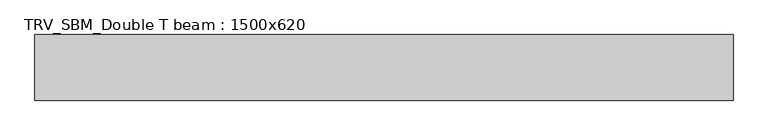
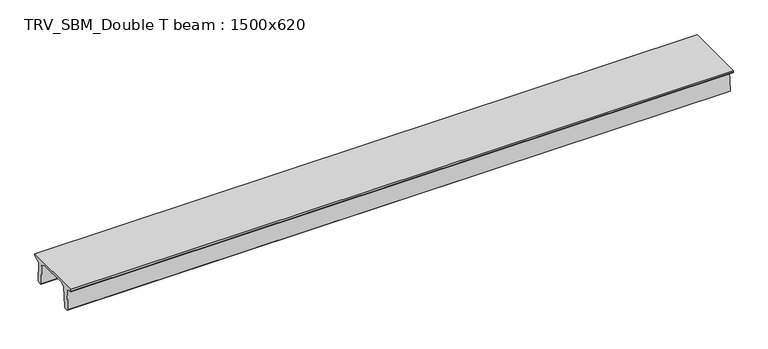
"""IFC4 building model written with IfcOpenShell, lengths in millimetres: beam geometry, TRV_SBM_Double T beam : 1500x620."""

from ifc_helpers import new_model, si_unit, frame, origin, place, context, project, spatial, polyline, outline, extrude, source, transform, mapped, element, save


def trv_sbm_double_t_beam_1500x620_2feb4eca(model_context):
    return source(origin(), model_context, "Body", "SweptSolid", [
        extrude(outline(polyline([(-765.0, 215.0), (-765.0, 260.0), (735.0, 260.0), (735.0, 215.0), (728.2094488, 201.315559), (578.0626443, 140.6523122), (594.8277662, -339.4379646), (574.2657308, -360.0), (484.2657308, -360.0), (464.786332, -340.5206011), (447.8600761, 144.18395), (338.3237744, 210.0), (-367.4555014, 210.0), (-476.5389732, 151.9992892), (-507.0080378, -339.3850967), (-527.622941, -360.0), (-615.122941, -360.0), (-637.1143055, -338.0086356), (-606.1572167, 162.687806), (-761.3068466, 204.260024), (-765.0, 215.0)])), frame((-7981.5, 0.0, 0.0), z_axis=(1.0, 0.0, 0.0), x_axis=(0.0, 1.0, 0.0)), (0.0, 0.0, 1.0), 15963.0),
    ])


if __name__ == "__main__":
    model = new_model("IFC4")
    model_context = context("Model", 3, world=origin())
    ifc_project = project(units=[si_unit("LENGTHUNIT", "METRE", prefix="MILLI")], contexts=[model_context])
    site = spatial("IfcSite", under=ifc_project)
    building = spatial("IfcBuilding", under=site)
    placement = place(None, origin())
    trv_sbm_double_t_beam_1500x620_shape = trv_sbm_double_t_beam_1500x620_2feb4eca(model_context)
    element("IfcBeam", 1, ObjectType="TRV_SBM_Double T beam : 1500x620", at=placement, inside=building, context=model_context, shape_type="MappedRepresentation", body=[
        mapped(trv_sbm_double_t_beam_1500x620_shape, transform((0.0, 0.0, 0.0), x_axis=(1.0, 0.0, 0.0), y_axis=(0.0, 1.0, 0.0), z_axis=(0.0, 0.0, 1.0))),
    ])
    save(model, "model.ifc")
